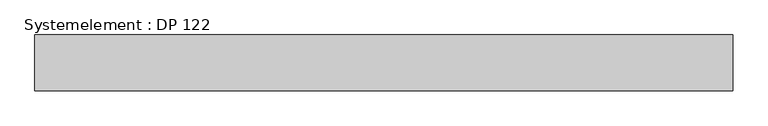
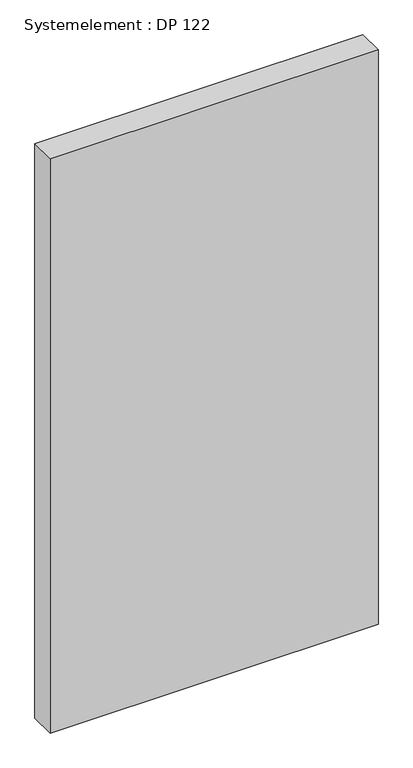
"""IFC4 building model written with IfcOpenShell, lengths in millimetres: plate geometry, Systemelement : DP 122."""

from ifc_helpers import new_model, si_unit, origin, origin_with_axes, place, context, project, spatial, polyline, outline, extrude, source, transform, mapped, element, save


def systemelement_dp_122_d7a6ddcf(model_context):
    return source(origin(), model_context, "Body", "SweptSolid", [
        extrude(outline(polyline([(500.0, -80.0), (-500.0, -80.0), (-500.0, 0.0), (500.0, 0.0), (500.0, -80.0)])), origin_with_axes(), (0.0, 0.0, 1.0), 1851.6147161),
    ])


if __name__ == "__main__":
    model = new_model("IFC4")
    model_context = context("Model", 3, world=origin())
    ifc_project = project(units=[si_unit("LENGTHUNIT", "METRE", prefix="MILLI")], contexts=[model_context])
    site = spatial("IfcSite", under=ifc_project)
    building = spatial("IfcBuilding", under=site)
    placement = place(None, origin())
    systemelement_dp_122_shape = systemelement_dp_122_d7a6ddcf(model_context)
    element("IfcPlate", 1, ObjectType="Systemelement : DP 122", at=placement, inside=building, context=model_context, shape_type="MappedRepresentation", body=[
        mapped(systemelement_dp_122_shape, transform((0.0, 0.0, 0.0), x_axis=(1.0, 0.0, 0.0), y_axis=(0.0, 1.0, 0.0), z_axis=(0.0, 0.0, 1.0))),
    ])
    save(model, "model.ifc")
